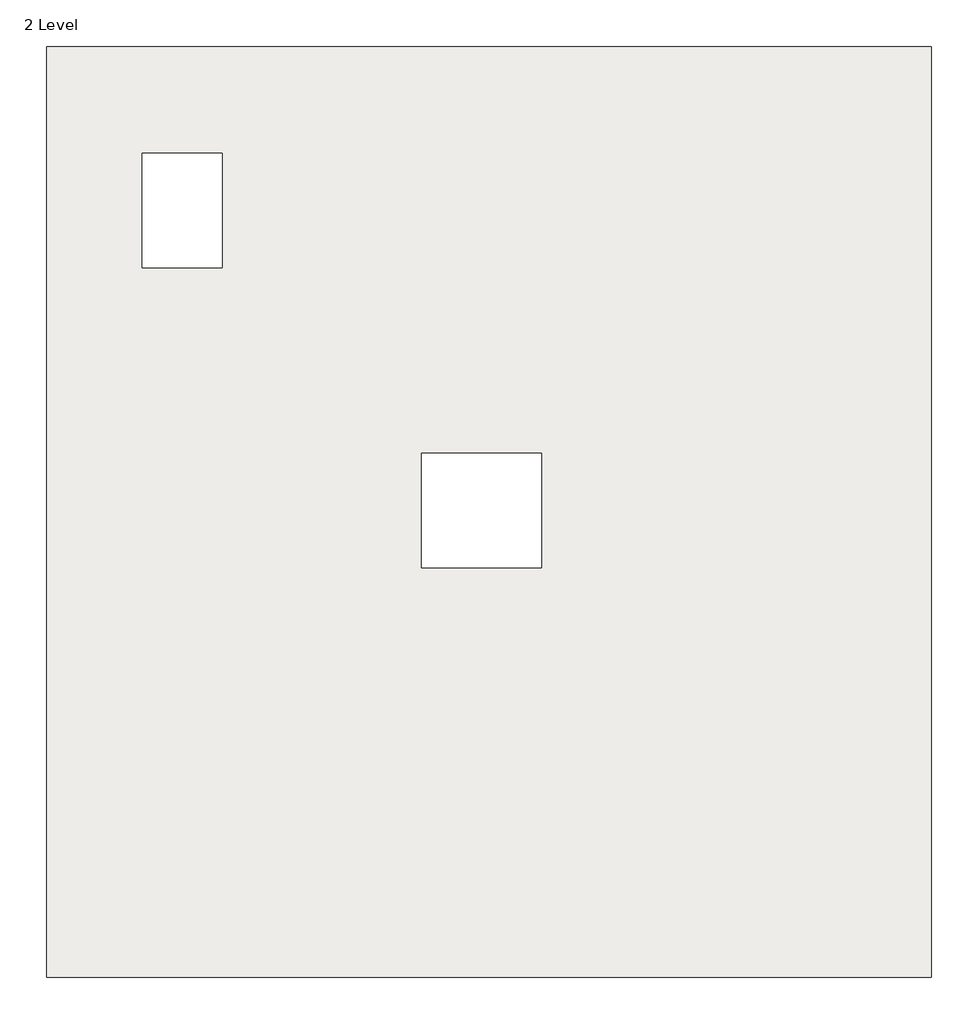
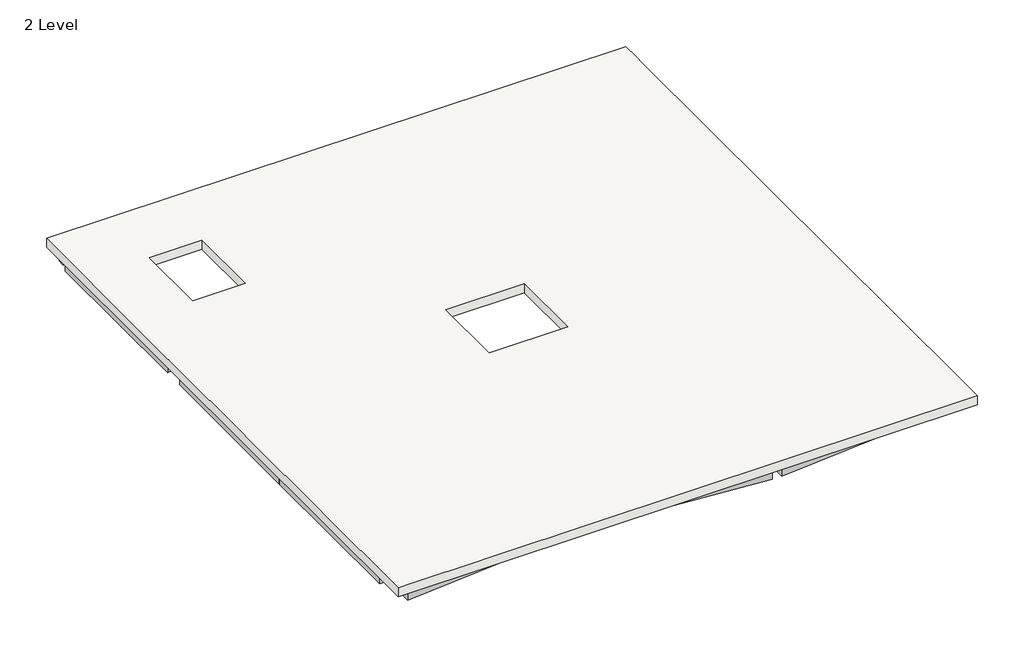
# One storey: 24 beams, 1 slab.
"""IFC4 building model written with IfcOpenShell, lengths in millimetres."""

from ifc_helpers import new_model, si_unit, point, frame, frame_2d, origin, place, context, project, spatial, polyline, circle_curve, trimmed, segment, composite_curve, outline, extrude, faceted_brep, element, save

model = new_model("IFC4")

# Units and contexts
model_context = context("Model", 3, world=origin())
ifc_project = project(units=[si_unit("LENGTHUNIT", "METRE", prefix="MILLI")], contexts=[model_context])

# Site, building, storey
site = spatial("IfcSite", under=ifc_project)
building = spatial("IfcBuilding", under=site)
storey = spatial("IfcBuildingStorey", under=building, Name="2 Level", Elevation=6800.0)

# Beams
placement = place(None, origin())
element("IfcBeam", 1, ObjectType="ATK-Rectangular Beam : B25 (200x600)", at=placement, inside=storey, context=model_context, shape_type="SweptSolid", body=[
    extrude(outline(composite_curve([segment(polyline([(27433.0895574, 31923.1162597), (27433.0895574, 36190.2735472)]), True, "CONTINUOUS"), segment(trimmed(circle_curve(frame_2d((27533.0895574, 36473.1162597)), 300.0), [point((27433.0895574, 36190.2735472))], [point((27633.0895574, 36190.2735472))], True, "CARTESIAN"), True, "CONTINUOUS"), segment(polyline([(27633.0895574, 36190.2735472), (27633.0895574, 31923.1162597), (27433.0895574, 31923.1162597)]), True, "CONTINUOUS")], self_intersect=False)), frame((0.0, 0.0, 6200.0), z_axis=(0.0, 0.0, 1.0), x_axis=(1.0, 0.0, 0.0)), (0.0, 0.0, 1.0), 350.0),
])
element("IfcBeam", 2, ObjectType="ATK-Rectangular Beam : B25 (200x600)", at=placement, inside=storey, context=model_context, shape_type="SweptSolid", body=[
    extrude(outline(polyline([(27433.0895574, 31023.1162597), (27633.0895574, 31023.1162597), (27633.0895574, 26923.1162597), (27433.0895574, 26923.1162597), (27433.0895574, 31023.1162597)])), frame((0.0, 0.0, 6200.0), z_axis=(0.0, 0.0, 1.0), x_axis=(1.0, 0.0, 0.0)), (0.0, 0.0, 1.0), 350.0),
])
element("IfcBeam", 3, ObjectType="ATK-Rectangular Beam : B25 (200x600)", at=placement, inside=storey, context=model_context, shape_type="SweptSolid", body=[
    extrude(outline(composite_curve([segment(polyline([(27433.0895574, 26023.1162597), (27633.0895574, 26023.1162597), (27633.0895574, 21755.9589722)]), True, "CONTINUOUS"), segment(trimmed(circle_curve(frame_2d((27533.0895574, 21473.1162597)), 300.0), [point((27633.0895574, 21755.9589722))], [point((27433.0895574, 21755.9589722))], True, "CARTESIAN"), True, "CONTINUOUS"), segment(polyline([(27433.0895574, 21755.9589722), (27433.0895574, 26023.1162597)]), True, "CONTINUOUS")], self_intersect=False)), frame((0.0, 0.0, 6200.0), z_axis=(0.0, 0.0, 1.0), x_axis=(1.0, 0.0, 0.0)), (0.0, 0.0, 1.0), 350.0),
])
element("IfcBeam", 4, ObjectType="ATK-Rectangular Beam : B25 (200x600)", at=placement, inside=storey, context=model_context, shape_type="Brep", body=[
    faceted_brep([(12633.0895574, 26573.1162597, 6200.0), (12633.0895574, 26573.1162597, 6550.0), (12633.0895574, 26373.1162597, 6550.0), (12633.0895574, 21923.1162597, 6550.0), (12633.0895574, 21923.1162597, 6200.0), (12633.0895574, 26373.1162597, 6200.0), (12433.0895574, 26573.1162597, 6200.0), (12433.0895574, 21923.1162597, 6200.0), (12433.0895574, 26573.1162597, 6550.0), (12433.0895574, 21923.1162597, 6550.0)], [[[0, 1, 2, 3, 4, 5]], [[6, 0, 5, 4, 7]], [[8, 6, 7, 9]], [[1, 8, 9, 3, 2]], [[4, 3, 9, 7]], [[0, 6, 8, 1]]]),
])
element("IfcBeam", 5, ObjectType="ATK-Rectangular Beam : B25 (200x600)", at=placement, inside=storey, context=model_context, shape_type="SweptSolid", body=[
    extrude(outline(composite_curve([segment(trimmed(circle_curve(frame_2d((12533.0895574, 31473.1162597)), 300.0), [point((12433.0895574, 31190.2735472))], [point((12633.0895574, 31190.2735472))], True, "CARTESIAN"), True, "CONTINUOUS"), segment(polyline([(12633.0895574, 31190.2735472), (12633.0895574, 26573.1162597), (12433.0895574, 26573.1162597), (12433.0895574, 31190.2735472)]), True, "CONTINUOUS")], self_intersect=False)), frame((0.0, 0.0, 6200.0), z_axis=(0.0, 0.0, 1.0), x_axis=(1.0, 0.0, 0.0)), (0.0, 0.0, 1.0), 350.0),
])
element("IfcBeam", 6, ObjectType="ATK-Rectangular Beam : B25 (200x600)", at=placement, inside=storey, context=model_context, shape_type="SweptSolid", body=[
    extrude(outline(composite_curve([segment(polyline([(12433.0895574, 36485.8162597), (12633.0895574, 36485.8162597), (12633.0895574, 31755.9589722)]), True, "CONTINUOUS"), segment(trimmed(circle_curve(frame_2d((12533.0895574, 31473.1162597)), 300.0), [point((12633.0895574, 31755.9589722))], [point((12433.0895574, 31755.9589722))], True, "CARTESIAN"), True, "CONTINUOUS"), segment(polyline([(12433.0895574, 31755.9589722), (12433.0895574, 36485.8162597)]), True, "CONTINUOUS")], self_intersect=False)), frame((0.0, 0.0, 6200.0), z_axis=(0.0, 0.0, 1.0), x_axis=(1.0, 0.0, 0.0)), (0.0, 0.0, 1.0), 350.0),
])
element("IfcBeam", 7, ObjectType="ATK-Rectangular Beam : B25 (200x600)", at=placement, inside=storey, context=model_context, shape_type="SweptSolid", body=[
    extrude(outline(composite_curve([segment(polyline([(12815.9322699, 31573.1162597), (17408.0895574, 31573.1162597), (17408.0895574, 31373.1162597), (12815.9322699, 31373.1162597)]), True, "CONTINUOUS"), segment(trimmed(circle_curve(frame_2d((12533.0895574, 31473.1162597)), 300.0), [point((12815.9322699, 31373.1162597))], [point((12833.0895574, 31473.1162597))], True, "CARTESIAN"), True, "CONTINUOUS"), segment(trimmed(circle_curve(frame_2d((12533.0895574, 31473.1162597)), 300.0), [point((12833.0895574, 31473.1162597))], [point((12815.9322699, 31573.1162597))], True, "CARTESIAN"), True, "CONTINUOUS")], self_intersect=False)), frame((0.0, 0.0, 6200.0), z_axis=(0.0, 0.0, 1.0), x_axis=(1.0, 0.0, 0.0)), (0.0, 0.0, 1.0), 350.0),
])
element("IfcBeam", 8, ObjectType="ATK-Rectangular Beam : B25 (200x600)", at=placement, inside=storey, context=model_context, shape_type="Brep", body=[
    faceted_brep([(17658.0895574, 31373.1162597, 6200.0), (22433.0895574, 31373.1162597, 6200.0), (22633.0895574, 31373.1162597, 6200.0), (22633.0895574, 31373.1162597, 6550.0), (22433.0895574, 31373.1162597, 6550.0), (17658.0895574, 31373.1162597, 6550.0), (17658.0895574, 31573.1162597, 6200.0), (22433.0895574, 31573.1162597, 6200.0), (22633.0895574, 31573.1162597, 6200.0), (17658.0895574, 31573.1162597, 6550.0), (22433.0895574, 31573.1162597, 6550.0), (22633.0895574, 31573.1162597, 6550.0)], [[[0, 1, 2, 3, 4, 5]], [[0, 6, 7, 8, 2, 1]], [[8, 7, 6, 9, 10, 11]], [[6, 0, 5, 9]], [[5, 4, 3, 11, 10, 9]], [[2, 8, 11, 3]]]),
])
element("IfcBeam", 9, ObjectType="ATK-Rectangular Beam : B25 (200x600)", at=placement, inside=storey, context=model_context, shape_type="SweptSolid", body=[
    extrude(outline(polyline([(27408.0895574, 31573.1162597), (27408.0895574, 31373.1162597), (22633.0895574, 31373.1162597), (22633.0895574, 31573.1162597), (27408.0895574, 31573.1162597)])), frame((0.0, 0.0, 6200.0), z_axis=(0.0, 0.0, 1.0), x_axis=(1.0, 0.0, 0.0)), (0.0, 0.0, 1.0), 350.0),
])
element("IfcBeam", 10, ObjectType="ATK-Rectangular Beam : B25 (200x600)", at=placement, inside=storey, context=model_context, shape_type="SweptSolid", body=[
    extrude(outline(polyline([(12633.0895574, 26373.1162597), (12633.0895574, 26573.1162597), (17408.0895574, 26573.1162597), (17408.0895574, 26373.1162597), (12633.0895574, 26373.1162597)])), frame((0.0, 0.0, 6200.0), z_axis=(0.0, 0.0, 1.0), x_axis=(1.0, 0.0, 0.0)), (0.0, 0.0, 1.0), 350.0),
])
element("IfcBeam", 11, ObjectType="ATK-Rectangular Beam : B25 (200x600)", at=placement, inside=storey, context=model_context, shape_type="SweptSolid", body=[
    extrude(outline(polyline([(17658.0895574, 26373.1162597), (17658.0895574, 26573.1162597), (22408.0895574, 26573.1162597), (22408.0895574, 26373.1162597), (17658.0895574, 26373.1162597)])), frame((0.0, 0.0, 6200.0), z_axis=(0.0, 0.0, 1.0), x_axis=(1.0, 0.0, 0.0)), (0.0, 0.0, 1.0), 350.0),
])
element("IfcBeam", 12, ObjectType="ATK-Rectangular Beam : B25 (200x600)", at=placement, inside=storey, context=model_context, shape_type="SweptSolid", body=[
    extrude(outline(polyline([(22658.0895574, 26373.1162597), (22658.0895574, 26573.1162597), (27408.0895574, 26573.1162597), (27408.0895574, 26373.1162597), (22658.0895574, 26373.1162597)])), frame((0.0, 0.0, 6200.0), z_axis=(0.0, 0.0, 1.0), x_axis=(1.0, 0.0, 0.0)), (0.0, 0.0, 1.0), 350.0),
])
element("IfcBeam", 13, ObjectType="ATK-Rectangular Beam : B25 (200x600)", at=placement, inside=storey, context=model_context, shape_type="SweptSolid", body=[
    extrude(outline(composite_curve([segment(polyline([(17433.0895574, 26023.1162597), (17633.0895574, 26023.1162597), (17633.0895574, 21755.9589722)]), True, "CONTINUOUS"), segment(trimmed(circle_curve(frame_2d((17533.0895574, 21473.1162597)), 300.0), [point((17633.0895574, 21755.9589722))], [point((17433.0895574, 21755.9589722))], True, "CARTESIAN"), True, "CONTINUOUS"), segment(polyline([(17433.0895574, 21755.9589722), (17433.0895574, 26023.1162597)]), True, "CONTINUOUS")], self_intersect=False)), frame((0.0, 0.0, 6200.0), z_axis=(0.0, 0.0, 1.0), x_axis=(1.0, 0.0, 0.0)), (0.0, 0.0, 1.0), 350.0),
])
element("IfcBeam", 14, ObjectType="ATK-Rectangular Beam : B25 (200x600)", at=placement, inside=storey, context=model_context, shape_type="SweptSolid", body=[
    extrude(outline(polyline([(17433.0895574, 31023.1162597), (17633.0895574, 31023.1162597), (17633.0895574, 26923.1162597), (17433.0895574, 26923.1162597), (17433.0895574, 31023.1162597)])), frame((0.0, 0.0, 6200.0), z_axis=(0.0, 0.0, 1.0), x_axis=(1.0, 0.0, 0.0)), (0.0, 0.0, 1.0), 350.0),
])
element("IfcBeam", 15, ObjectType="ATK-Rectangular Beam : B25 (200x600)", at=placement, inside=storey, context=model_context, shape_type="SweptSolid", body=[
    extrude(outline(polyline([(17433.0895574, 36023.1162597), (17633.0895574, 36023.1162597), (17633.0895574, 31923.1162597), (17433.0895574, 31923.1162597), (17433.0895574, 36023.1162597)])), frame((0.0, 0.0, 6200.0), z_axis=(0.0, 0.0, 1.0), x_axis=(1.0, 0.0, 0.0)), (0.0, 0.0, 1.0), 350.0),
])
element("IfcBeam", 16, ObjectType="ATK-Rectangular Beam : B25 (200x600)", at=placement, inside=storey, context=model_context, shape_type="SweptSolid", body=[
    extrude(outline(polyline([(22433.0895574, 36023.1162597), (22633.0895574, 36023.1162597), (22633.0895574, 31573.1162597), (22433.0895574, 31573.1162597), (22433.0895574, 36023.1162597)])), frame((0.0, 0.0, 6200.0), z_axis=(0.0, 0.0, 1.0), x_axis=(1.0, 0.0, 0.0)), (0.0, 0.0, 1.0), 350.0),
])
element("IfcBeam", 17, ObjectType="ATK-Rectangular Beam : B25 (200x600)", at=placement, inside=storey, context=model_context, shape_type="SweptSolid", body=[
    extrude(outline(polyline([(22433.0895574, 31373.1162597), (22633.0895574, 31373.1162597), (22633.0895574, 26923.1162597), (22433.0895574, 26923.1162597), (22433.0895574, 31373.1162597)])), frame((0.0, 0.0, 6200.0), z_axis=(0.0, 0.0, 1.0), x_axis=(1.0, 0.0, 0.0)), (0.0, 0.0, 1.0), 350.0),
])
element("IfcBeam", 18, ObjectType="ATK-Rectangular Beam : B25 (200x600)", at=placement, inside=storey, context=model_context, shape_type="SweptSolid", body=[
    extrude(outline(polyline([(22433.0895574, 26023.1162597), (22633.0895574, 26023.1162597), (22633.0895574, 21923.1162597), (22433.0895574, 21923.1162597), (22433.0895574, 26023.1162597)])), frame((0.0, 0.0, 6200.0), z_axis=(0.0, 0.0, 1.0), x_axis=(1.0, 0.0, 0.0)), (0.0, 0.0, 1.0), 350.0),
])
element("IfcBeam", 19, ObjectType="ATK-Rectangular Beam : B25 (200x600)", at=placement, inside=storey, context=model_context, shape_type="SweptSolid", body=[
    extrude(outline(polyline([(12520.3895574, 36723.1162597), (12520.3895574, 36923.1162597), (17408.0895574, 36923.1162597), (17408.0895574, 36723.1162597), (12520.3895574, 36723.1162597)])), frame((0.0, 0.0, 6200.0), z_axis=(0.0, 0.0, 1.0), x_axis=(1.0, 0.0, 0.0)), (0.0, 0.0, 1.0), 350.0),
])
element("IfcBeam", 20, ObjectType="ATK-Rectangular Beam : B25 (200x600)", at=placement, inside=storey, context=model_context, shape_type="SweptSolid", body=[
    extrude(outline(polyline([(17658.0895574, 36723.1162597), (17658.0895574, 36923.1162597), (22408.0895574, 36923.1162597), (22408.0895574, 36723.1162597), (17658.0895574, 36723.1162597)])), frame((0.0, 0.0, 6200.0), z_axis=(0.0, 0.0, 1.0), x_axis=(1.0, 0.0, 0.0)), (0.0, 0.0, 1.0), 350.0),
])
element("IfcBeam", 21, ObjectType="ATK-Rectangular Beam : B25 (200x600)", at=placement, inside=storey, context=model_context, shape_type="SweptSolid", body=[
    extrude(outline(composite_curve([segment(polyline([(22658.0895574, 36711.0578933), (22658.0895574, 36911.8662597), (27234.2972257, 36500.0075696)]), True, "CONTINUOUS"), segment(trimmed(circle_curve(frame_2d((27533.0895574, 36473.1162597)), 300.0), [point((27234.2972257, 36500.0075696))], [point((27233.0895574, 36473.1162597))], True, "CARTESIAN"), True, "CONTINUOUS"), segment(trimmed(circle_curve(frame_2d((27533.0895574, 36473.1162597)), 300.0), [point((27233.0895574, 36473.1162597))], [point((27292.4553626, 36293.9649709))], True, "CARTESIAN"), True, "CONTINUOUS"), segment(polyline([(27292.4553626, 36293.9649709), (22658.0895574, 36711.0578933)]), True, "CONTINUOUS")], self_intersect=False)), frame((0.0, 0.0, 6200.0), z_axis=(0.0, 0.0, 1.0), x_axis=(1.0, 0.0, 0.0)), (0.0, 0.0, 1.0), 350.0),
])
element("IfcBeam", 22, ObjectType="ATK-Rectangular Beam : B25 (200x600)", at=placement, inside=storey, context=model_context, shape_type="SweptSolid", body=[
    extrude(outline(composite_curve([segment(polyline([(22658.0895574, 21034.3662597), (22658.0895574, 21235.1746261), (27292.4553626, 21652.2675485)]), True, "CONTINUOUS"), segment(trimmed(circle_curve(frame_2d((27533.0895574, 21473.1162597)), 300.0), [point((27292.4553626, 21652.2675485))], [point((27233.0895574, 21473.1162597))], True, "CARTESIAN"), True, "CONTINUOUS"), segment(trimmed(circle_curve(frame_2d((27533.0895574, 21473.1162597)), 300.0), [point((27233.0895574, 21473.1162597))], [point((27234.2972257, 21446.2249499))], True, "CARTESIAN"), True, "CONTINUOUS"), segment(polyline([(27234.2972257, 21446.2249499), (22658.0895574, 21034.3662597)]), True, "CONTINUOUS")], self_intersect=False)), frame((0.0, 0.0, 6200.0), z_axis=(0.0, 0.0, 1.0), x_axis=(1.0, 0.0, 0.0)), (0.0, 0.0, 1.0), 350.0),
])
element("IfcBeam", 23, ObjectType="ATK-Rectangular Beam : B25 (200x600)", at=placement, inside=storey, context=model_context, shape_type="SweptSolid", body=[
    extrude(outline(composite_curve([segment(polyline([(22408.0895574, 21034.3662597), (17831.881889, 21446.2249499)]), True, "CONTINUOUS"), segment(trimmed(circle_curve(frame_2d((17533.0895574, 21473.1162597)), 300.0), [point((17831.881889, 21446.2249499))], [point((17833.0895574, 21473.1162597))], True, "CARTESIAN"), True, "CONTINUOUS"), segment(trimmed(circle_curve(frame_2d((17533.0895574, 21473.1162597)), 300.0), [point((17833.0895574, 21473.1162597))], [point((17773.7237522, 21652.2675485))], True, "CARTESIAN"), True, "CONTINUOUS"), segment(polyline([(17773.7237522, 21652.2675485), (22408.0895574, 21235.1746261), (22408.0895574, 21034.3662597)]), True, "CONTINUOUS")], self_intersect=False)), frame((0.0, 0.0, 6200.0), z_axis=(0.0, 0.0, 1.0), x_axis=(1.0, 0.0, 0.0)), (0.0, 0.0, 1.0), 350.0),
])
element("IfcBeam", 24, ObjectType="ATK-Rectangular Beam : B25 (200x600)", at=placement, inside=storey, context=model_context, shape_type="SweptSolid", body=[
    extrude(outline(composite_curve([segment(polyline([(12658.0895574, 21235.1746261), (17292.4553626, 21652.2675485)]), True, "CONTINUOUS"), segment(trimmed(circle_curve(frame_2d((17533.0895574, 21473.1162597)), 300.0), [point((17292.4553626, 21652.2675485))], [point((17233.0895574, 21473.1162597))], True, "CARTESIAN"), True, "CONTINUOUS"), segment(trimmed(circle_curve(frame_2d((17533.0895574, 21473.1162597)), 300.0), [point((17233.0895574, 21473.1162597))], [point((17234.2972257, 21446.2249499))], True, "CARTESIAN"), True, "CONTINUOUS"), segment(polyline([(17234.2972257, 21446.2249499), (12658.0895574, 21034.3662597), (12658.0895574, 21235.1746261)]), True, "CONTINUOUS")], self_intersect=False)), frame((0.0, 0.0, 6200.0), z_axis=(0.0, 0.0, 1.0), x_axis=(1.0, 0.0, 0.0)), (0.0, 0.0, 1.0), 350.0),
])

# Slab
element("IfcSlab", 25, ObjectType="250 Thk Flat Plate", at=placement, inside=storey, context=model_context, shape_type="Brep", body=[
    faceted_brep([(27773.0895574, 20833.1162597, 6550.0), (12293.0895574, 20833.1162597, 6550.0), (12293.0895574, 31293.1162597, 6550.0), (12293.0895574, 31653.1162597, 6550.0), (12293.0895574, 37113.1162597, 6550.0), (27773.0895574, 37113.1162597, 6550.0), (27773.0895574, 36653.1162597, 6550.0), (27773.0895574, 36293.1162597, 6550.0), (27773.0895574, 21653.1162597, 6550.0), (27773.0895574, 21293.1162597, 6550.0), (15364.3413857, 35244.5457363, 6550.0), (13964.3413857, 35244.5457363, 6550.0), (13964.3413857, 33244.5457363, 6550.0), (15364.3413857, 33244.5457363, 6550.0), (20955.6721649, 29997.0500945, 6550.0), (18855.6721649, 29997.0500945, 6550.0), (18855.6721649, 27997.0500945, 6550.0), (20955.6721649, 27997.0500945, 6550.0), (12293.0895574, 20833.1162597, 6800.0), (27773.0895574, 20833.1162597, 6800.0), (27773.0895574, 21293.1162597, 6800.0), (27773.0895574, 21653.1162597, 6800.0), (27773.0895574, 36293.1162597, 6800.0), (27773.0895574, 36653.1162597, 6800.0), (27773.0895574, 37113.1162597, 6800.0), (12293.0895574, 37113.1162597, 6800.0), (12293.0895574, 31653.1162597, 6800.0), (12293.0895574, 31293.1162597, 6800.0), (13964.3413857, 35244.5457363, 6800.0), (15364.3413857, 35244.5457363, 6800.0), (15364.3413857, 33244.5457363, 6800.0), (13964.3413857, 33244.5457363, 6800.0), (18855.6721649, 29997.0500945, 6800.0), (20955.6721649, 29997.0500945, 6800.0), (20955.6721649, 27997.0500945, 6800.0), (18855.6721649, 27997.0500945, 6800.0)], [[[0, 1, 2, 3, 4, 5, 6, 7, 8, 9], [10, 11, 12, 13], [14, 15, 16, 17]], [[18, 19, 20, 21, 22, 23, 24, 25, 26, 27], [28, 29, 30, 31], [32, 33, 34, 35]], [[1, 0, 19, 18]], [[4, 3, 2, 1, 18, 27, 26, 25]], [[5, 4, 25, 24]], [[0, 9, 8, 7, 6, 5, 24, 23, 22, 21, 20, 19]], [[11, 10, 29, 28]], [[12, 11, 28, 31]], [[13, 12, 31, 30]], [[10, 13, 30, 29]], [[14, 33, 32, 15]], [[15, 32, 35, 16]], [[16, 35, 34, 17]], [[33, 14, 17, 34]]]),
])

save(model, "model.ifc")
